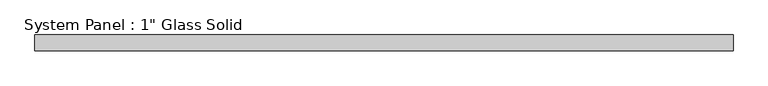
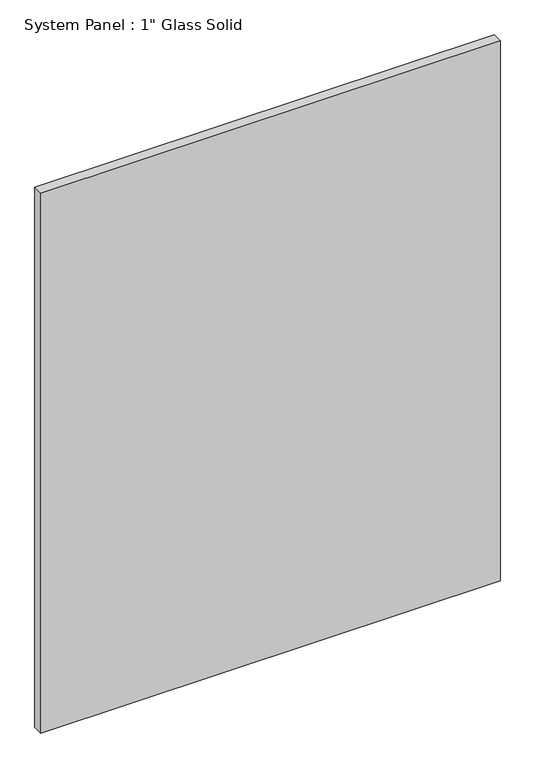
"""IFC4 building model written with IfcOpenShell, lengths in millimetres: plate geometry."""

from ifc_helpers import new_model, si_unit, origin, origin_with_axes, place, context, project, spatial, polyline, outline, extrude, source, transform, mapped, element, save


def plate_b5b095bc(model_context):
    return source(origin(), model_context, "Body", "SweptSolid", [
        extrude(outline(polyline([(558.2220691, -12.7), (-558.2220691, -12.7), (-558.2220691, 12.7), (558.2220691, 12.7), (558.2220691, -12.7)])), origin_with_axes(), (0.0, 0.0, 1.0), 1386.6366382),
    ])


if __name__ == "__main__":
    model = new_model("IFC4")
    model_context = context("Model", 3, world=origin())
    ifc_project = project(units=[si_unit("LENGTHUNIT", "METRE", prefix="MILLI")], contexts=[model_context])
    site = spatial("IfcSite", under=ifc_project)
    building = spatial("IfcBuilding", under=site)
    placement = place(None, origin())
    plate_shape = plate_b5b095bc(model_context)
    element("IfcPlate", 1, ObjectType="System Panel : 1\" Glass Solid", at=placement, inside=building, context=model_context, shape_type="MappedRepresentation", body=[
        mapped(plate_shape, transform((0.0, 0.0, 0.0), x_axis=(1.0, 0.0, 0.0), y_axis=(0.0, 1.0, 0.0), z_axis=(0.0, 0.0, 1.0))),
    ])
    save(model, "model.ifc")
